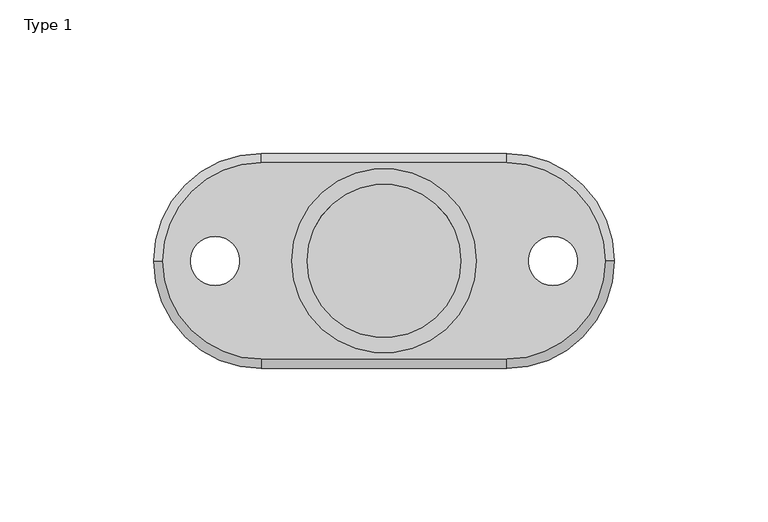
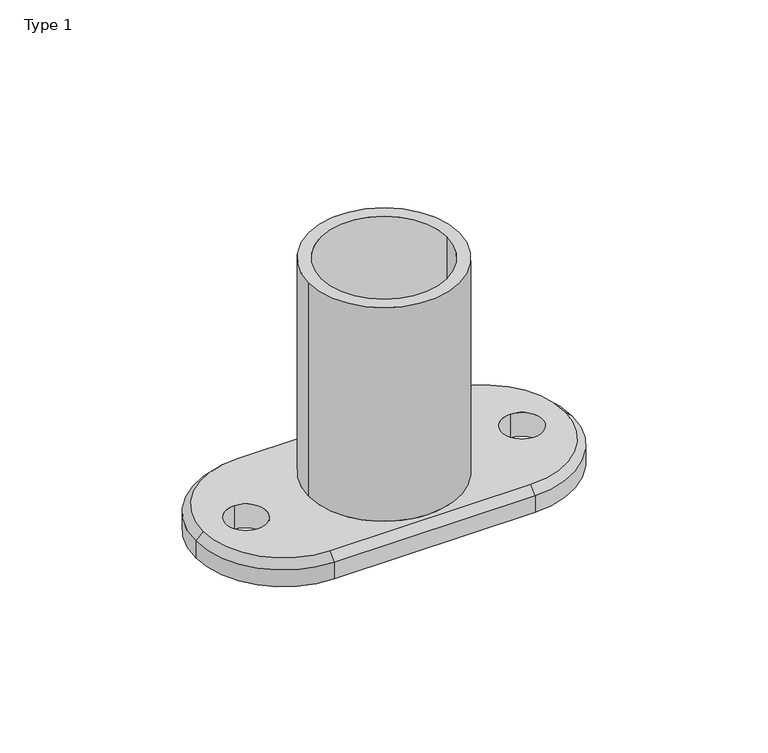
"""IFC4 building model written with IfcOpenShell, lengths in millimetres: proxy geometry, Type 1."""

from ifc_helpers import new_model, si_unit, frame, origin, origin_with_axes, place, context, project, spatial, polyline, circle_curve, source, transform, mapped, element, save
from ifc_brep_helpers import plane_surface, cylinder_surface, revolved_surface, advanced_brep


def type_1_2c5dac1d(model_context):
    return source(origin(), model_context, "Body", "AdvancedBrep", [
        advanced_brep(
        [(-30.0, 0.0, 100.0), (30.0, 0.0, 100.0), (-25.0, 0.0, 100.0), (25.0, 0.0, 100.0), (40.0, 35.0, 0.0), (75.0, 0.0, 0.0), (40.0, -35.0, 0.0), (-40.0, -35.0, 0.0), (-75.0, 0.0, 0.0), (-40.0, 35.0, 0.0), (-55.0, 8.0, 0.0), (-55.0, -8.0, 0.0), (55.0, 8.0, 0.0), (55.0, -8.0, 0.0), (-30.0, 0.0, 10.0), (30.0, 0.0, 10.0), (-25.0, 0.0, 10.0), (25.0, 0.0, 10.0), (40.0, -32.0, 10.0), (72.0, 0.0, 10.0), (40.0, 32.0, 10.0), (-40.0, 32.0, 10.0), (-72.0, 0.0, 10.0), (-40.0, -32.0, 10.0), (-55.0, -8.0, 10.0), (-55.0, 8.0, 10.0), (55.0, -8.0, 10.0), (55.0, 8.0, 10.0), (-40.0, 35.0, 7.0), (40.0, 35.0, 7.0), (-75.0, 0.0, 7.0), (-40.0, -35.0, 7.0), (40.0, -35.0, 7.0), (75.0, 0.0, 7.0)],
        [
            (0, 1, circle_curve(frame((0.0, 0.0, 100.0), z_axis=(0.0, 0.0, 1.0), x_axis=(1.0, 0.0, 0.0)), 30.0)),
            (1, 0, circle_curve(frame((0.0, 0.0, 100.0), z_axis=(0.0, 0.0, 1.0), x_axis=(1.0, 0.0, 0.0)), 30.0)),
            (2, 3, circle_curve(frame((0.0, 0.0, 100.0), z_axis=(0.0, 0.0, -1.0), x_axis=(1.0, 0.0, 0.0)), 25.0)),
            (3, 2, circle_curve(frame((0.0, 0.0, 100.0), z_axis=(0.0, 0.0, -1.0), x_axis=(1.0, 0.0, 0.0)), 25.0)),
            (4, 5, circle_curve(frame((40.0, 0.0, 0.0), z_axis=(0.0, 0.0, -1.0), x_axis=(1.0, 0.0, 0.0)), 35.0)),
            (5, 6, circle_curve(frame((40.0, 0.0, 0.0), z_axis=(0.0, 0.0, -1.0), x_axis=(1.0, 0.0, 0.0)), 35.0)),
            (6, 7),
            (7, 8, circle_curve(frame((-40.0, 0.0, 0.0), z_axis=(0.0, 0.0, -1.0), x_axis=(1.0, 0.0, 0.0)), 35.0)),
            (8, 9, circle_curve(frame((-40.0, 0.0, 0.0), z_axis=(0.0, 0.0, -1.0), x_axis=(1.0, 0.0, 0.0)), 35.0)),
            (9, 4),
            (10, 11, circle_curve(frame((-55.0, 0.0, 0.0), z_axis=(0.0, 0.0, 1.0), x_axis=(0.0, 1.0, 0.0)), 8.0)),
            (11, 10, circle_curve(frame((-55.0, 0.0, 0.0), z_axis=(0.0, 0.0, 1.0), x_axis=(0.0, 1.0, 0.0)), 8.0)),
            (12, 13, circle_curve(frame((55.0, 0.0, 0.0), z_axis=(0.0, 0.0, 1.0), x_axis=(0.0, 1.0, 0.0)), 8.0)),
            (13, 12, circle_curve(frame((55.0, 0.0, 0.0), z_axis=(0.0, 0.0, 1.0), x_axis=(0.0, 1.0, 0.0)), 8.0)),
            (0, 14),
            (14, 15, circle_curve(frame((0.0, 0.0, 10.0), z_axis=(0.0, 0.0, 1.0), x_axis=(1.0, 0.0, 0.0)), 30.0)),
            (15, 1),
            (15, 14, circle_curve(frame((0.0, 0.0, 10.0), z_axis=(0.0, 0.0, 1.0), x_axis=(1.0, 0.0, 0.0)), 30.0)),
            (2, 16),
            (16, 17, circle_curve(frame((0.0, 0.0, 10.0), z_axis=(0.0, 0.0, -1.0), x_axis=(1.0, 0.0, 0.0)), 25.0)),
            (17, 3),
            (17, 16, circle_curve(frame((0.0, 0.0, 10.0), z_axis=(0.0, 0.0, -1.0), x_axis=(1.0, 0.0, 0.0)), 25.0)),
            (18, 19, circle_curve(frame((40.0, 0.0, 10.0), z_axis=(0.0, 0.0, 1.0), x_axis=(0.0, -1.0, 0.0)), 32.0)),
            (19, 20, circle_curve(frame((40.0, 0.0, 10.0), z_axis=(0.0, 0.0, 1.0), x_axis=(1.0, 0.0, 0.0)), 32.0)),
            (20, 21),
            (21, 22, circle_curve(frame((-40.0, 0.0, 10.0), z_axis=(0.0, 0.0, 1.0), x_axis=(0.0, 1.0, 0.0)), 32.0)),
            (22, 23, circle_curve(frame((-40.0, 0.0, 10.0), z_axis=(0.0, 0.0, 1.0), x_axis=(-1.0, 0.0, 0.0)), 32.0)),
            (23, 18),
            (24, 25, circle_curve(frame((-55.0, 0.0, 10.0), z_axis=(0.0, 0.0, -1.0), x_axis=(0.0, 1.0, 0.0)), 8.0)),
            (25, 24, circle_curve(frame((-55.0, 0.0, 10.0), z_axis=(0.0, 0.0, -1.0), x_axis=(0.0, 1.0, 0.0)), 8.0)),
            (26, 27, circle_curve(frame((55.0, 0.0, 10.0), z_axis=(0.0, 0.0, -1.0), x_axis=(0.0, 1.0, 0.0)), 8.0)),
            (27, 26, circle_curve(frame((55.0, 0.0, 10.0), z_axis=(0.0, 0.0, -1.0), x_axis=(0.0, 1.0, 0.0)), 8.0)),
            (9, 28),
            (28, 29),
            (29, 4),
            (8, 30),
            (30, 28, circle_curve(frame((-40.0, 0.0, 7.0), z_axis=(0.0, 0.0, -1.0), x_axis=(1.0, 0.0, 0.0)), 35.0)),
            (7, 31),
            (31, 30, circle_curve(frame((-40.0, 0.0, 7.0), z_axis=(0.0, 0.0, -1.0), x_axis=(1.0, 0.0, 0.0)), 35.0)),
            (6, 32),
            (32, 31),
            (5, 33),
            (33, 32, circle_curve(frame((40.0, 0.0, 7.0), z_axis=(0.0, 0.0, -1.0), x_axis=(1.0, 0.0, 0.0)), 35.0)),
            (29, 33, circle_curve(frame((40.0, 0.0, 7.0), z_axis=(0.0, 0.0, -1.0), x_axis=(1.0, 0.0, 0.0)), 35.0)),
            (10, 25),
            (24, 11),
            (12, 27),
            (26, 13),
            (33, 19),
            (18, 32),
            (29, 20),
            (28, 21),
            (30, 22),
            (31, 23),
        ],
        [
            plane_surface(frame((30.0, 0.0, 100.0), z_axis=(0.0, 0.0, 1.0), x_axis=(0.0, 1.0, 0.0))),
            plane_surface(frame((30.0, 0.0, 0.0), z_axis=(0.0, 0.0, -1.0), x_axis=(0.0, -1.0, 0.0))),
            cylinder_surface(origin_with_axes(), 30.0),
            revolved_surface(polyline([(25.0, 0.0, 10.0), (25.0, 0.0, 100.0)]), (0.0, 0.0, 0.0), (0.0, 0.0, -1.0)),
            plane_surface(frame((-92.6957996, 35.0, 10.0), z_axis=(0.0, 0.0, 1.0), x_axis=(-1.0, 0.0, 0.0))),
            plane_surface(frame((40.0, 35.0, 10.0), z_axis=(0.0, 1.0, 0.0), x_axis=(0.0, 0.0, -1.0))),
            cylinder_surface(frame((-40.0, 0.0, 0.0), z_axis=(0.0, 0.0, 1.0), x_axis=(1.0, 0.0, 0.0)), 35.0),
            plane_surface(frame((-40.0, -35.0, 10.0), z_axis=(0.0, -1.0, 0.0), x_axis=(0.0, 0.0, -1.0))),
            cylinder_surface(frame((40.0, 0.0, 0.0), z_axis=(0.0, 0.0, 1.0), x_axis=(1.0, 0.0, 0.0)), 35.0),
            revolved_surface(polyline([(-55.0, 8.0, 0.0), (-55.0, 8.0, 10.0)]), (-55.0, 0.0, 10.0), (0.0, 0.0, -1.0)),
            revolved_surface(polyline([(55.0, 8.0, 0.0), (55.0, 8.0, 10.0)]), (55.0, 0.0, 0.0), (0.0, 0.0, -1.0)),
            revolved_surface(polyline([(40.0, -35.0, 7.0), (40.0, -32.0, 10.0)]), (40.0, 0.0, 10.0), (0.0, 0.0, 1.0)),
            revolved_surface(polyline([(75.0, 0.0, 7.0), (72.0, 0.0, 10.0)]), (40.0, 0.0, 10.0), (0.0, 0.0, 1.0)),
            plane_surface(frame((40.0, 32.0, 10.0), z_axis=(0.0, 0.707106781186547, 0.707106781186548), x_axis=(-1.0, 0.0, 0.0))),
            revolved_surface(polyline([(-40.0, 35.0, 7.0), (-40.0, 32.0, 10.0)]), (-40.0, 0.0, 10.0), (0.0, 0.0, 1.0)),
            revolved_surface(polyline([(-75.0, 0.0, 7.0), (-72.0, 0.0, 10.0)]), (-40.0, 0.0, 10.0), (0.0, 0.0, 1.0)),
            plane_surface(frame((-40.0, -32.0, 10.0), z_axis=(0.0, -0.707106781186547, 0.707106781186548), x_axis=(1.0, 0.0, 0.0))),
        ],
        [
            (0, [[1, 2], [3, 4]]),
            (1, [[5, 6, 7, 8, 9, 10], [11, 12], [13, 14]]),
            (2, [[-1, 15, 16, 17]]),
            (2, [[-2, -17, 18, -15]]),
            (3, [[-3, 19, 20, 21]]),
            (3, [[-4, -21, 22, -19]]),
            (4, [[-20, -22]]),
            (4, [[23, 24, 25, 26, 27, 28], [-16, -18], [29, 30], [31, 32]]),
            (5, [[-10, 33, 34, 35]]),
            (6, [[-9, 36, 37, -33]]),
            (6, [[-8, 38, 39, -36]]),
            (7, [[-7, 40, 41, -38]]),
            (8, [[-6, 42, 43, -40]]),
            (8, [[-5, -35, 44, -42]]),
            (9, [[45, -29, 46, -11]]),
            (9, [[-45, -12, -46, -30]]),
            (10, [[47, -31, 48, -13]]),
            (10, [[-47, -14, -48, -32]]),
            (11, [[49, -23, 50, -43]]),
            (12, [[-49, -44, 51, -24]]),
            (13, [[-51, -34, 52, -25]]),
            (14, [[-52, -37, 53, -26]]),
            (15, [[-53, -39, 54, -27]]),
            (16, [[-50, -28, -54, -41]]),
        ],
    ),
    ])


if __name__ == "__main__":
    model = new_model("IFC4")
    model_context = context("Model", 3, world=origin())
    ifc_project = project(units=[si_unit("LENGTHUNIT", "METRE", prefix="MILLI")], contexts=[model_context])
    site = spatial("IfcSite", under=ifc_project)
    building = spatial("IfcBuilding", under=site)
    placement = place(None, origin())
    type_1_shape = type_1_2c5dac1d(model_context)
    element("IfcBuildingElementProxy", 1, Name="Type 1", ObjectType="Type 1", at=placement, inside=building, context=model_context, shape_type="MappedRepresentation", body=[
        mapped(type_1_shape, transform((0.0, 0.0, 0.0), x_axis=(1.0, 0.0, 0.0), y_axis=(0.0, 1.0, 0.0), z_axis=(0.0, 0.0, 1.0))),
    ])
    save(model, "model.ifc")
